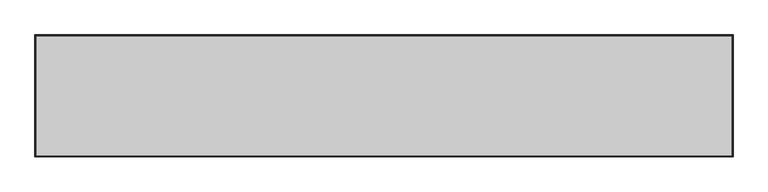
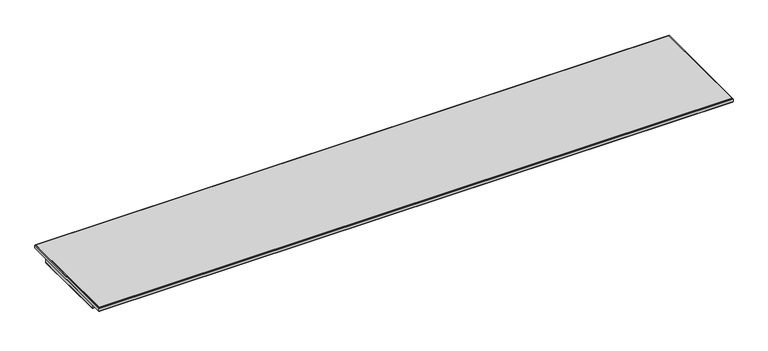
"""IFC4 building model written with IfcOpenShell, lengths in millimetres: furniture geometry."""

from ifc_helpers import new_model, si_unit, frame, origin, place, context, project, spatial, polyline, outline, extrude, faceted_brep, source, transform, mapped, element, save


def furniture_72fe0703(model_context):
    return source(origin(), model_context, "Body", "SolidModel", [
        faceted_brep([(1828.2142073, 19.7166075, 1043.3885283), (1826.7934, 18.2958003, 1042.8000114), (2.0066, 18.2958003, 1042.8000114), (0.5857927, 19.7166075, 1043.3885283), (1828.8, 20.3024003, 1044.8027589), (0.0, 20.3024003, 1044.8027589), (1828.8, 20.3024003, 1054.8000057), (0.0, 20.3024003, 1054.8000057), (1826.7934, 18.2958003, 1054.8000057), (2.0066, 18.2958003, 1054.8000057), (2.0066, -212.5041983, 1042.8000114), (0.5857927, -213.9250056, 1043.3885283), (0.0, -214.5107983, 1044.8027589), (0.0, -214.5107983, 1054.8000057), (2.0066, -212.5041983, 1054.8000057), (1826.7934, -212.5041983, 1042.8000114), (1828.2142073, -213.9250056, 1043.3885283), (1828.8, -214.5107983, 1044.8027589), (1828.8, -214.5107983, 1054.8000057), (1826.7934, -212.5041983, 1054.8000057)], [[[0, 1, 2, 3]], [[4, 0, 3, 5]], [[6, 4, 5, 7]], [[1, 8, 9, 2]], [[3, 2, 10, 11]], [[5, 3, 11, 12]], [[7, 5, 12, 13]], [[2, 9, 14, 10]], [[11, 10, 15, 16]], [[12, 11, 16, 17]], [[13, 12, 17, 18]], [[10, 14, 19, 15]], [[16, 15, 1, 0]], [[17, 16, 0, 4]], [[18, 17, 4, 6]], [[7, 13, 18, 6], [8, 19, 14, 9]], [[15, 19, 8, 1]]]),
        extrude(outline(polyline([(1826.7934, 18.2958003), (1826.7934, -212.5041983), (2.0066, -212.5041983), (2.0066, 18.2958003), (1826.7934, 18.2958003)])), frame((0.0, 0.0, 1042.8000114), z_axis=(0.0, 0.0, 1.0), x_axis=(1.0, 0.0, 0.0)), (0.0, 0.0, 1.0), 11.9999943),
        faceted_brep([(1853.4542364, 73.7600281, 1055.3857985), (1852.0400059, 72.3457976, 1054.8000057), (1.7526, 72.3457976, 1054.8000057), (0.3383695, 73.7600281, 1055.3857985), (1854.0400291, 74.3458208, 1056.800029), (-0.2474233, 74.3458208, 1056.800029), (1854.0400291, 74.3458208, 1064.7999767), (-0.2474233, 74.3458208, 1064.7999767), (1853.4542364, 73.7600281, 1066.2142073), (0.3383695, 73.7600281, 1066.2142073), (1852.0400059, 72.3457976, 1066.8030114), (1.7526, 72.3457976, 1066.8030114), (1.7526, -247.5042058, 1054.8000057), (0.3383695, -248.9184364, 1055.3857985), (-0.2474233, -249.5042291, 1056.800029), (-0.2474233, -249.5042291, 1064.7999767), (0.3383695, -248.9184364, 1066.2142073), (1.7526, -247.5042058, 1066.8030114), (1852.0400059, -247.5042058, 1054.8000057), (1853.4542364, -248.9184364, 1055.3857985), (1854.0400291, -249.5042291, 1056.800029), (1854.0400291, -249.5042291, 1064.7999767), (1853.4542364, -248.9184364, 1066.2142073), (1852.0400059, -247.5042058, 1066.8030114)], [[[0, 1, 2, 3]], [[4, 0, 3, 5]], [[6, 4, 5, 7]], [[8, 6, 7, 9]], [[10, 8, 9, 11]], [[1, 10, 11, 2]], [[3, 2, 12, 13]], [[5, 3, 13, 14]], [[7, 5, 14, 15]], [[9, 7, 15, 16]], [[11, 9, 16, 17]], [[2, 11, 17, 12]], [[13, 12, 18, 19]], [[14, 13, 19, 20]], [[15, 14, 20, 21]], [[16, 15, 21, 22]], [[17, 16, 22, 23]], [[12, 17, 23, 18]], [[19, 18, 1, 0]], [[20, 19, 0, 4]], [[21, 20, 4, 6]], [[22, 21, 6, 8]], [[23, 22, 8, 10]], [[18, 23, 10, 1]]]),
        extrude(outline(polyline([(1852.0400059, 72.3457976), (1852.0400059, -247.5042058), (1.7526, -247.5042058), (1.7526, 72.3457976), (1852.0400059, 72.3457976)])), frame((0.0, 0.0, 1054.8000057), z_axis=(0.0, 0.0, 1.0), x_axis=(1.0, 0.0, 0.0)), (0.0, 0.0, 1.0), 12.0030057),
    ])


if __name__ == "__main__":
    model = new_model("IFC4")
    model_context = context("Model", 3, world=origin())
    ifc_project = project(units=[si_unit("LENGTHUNIT", "METRE", prefix="MILLI")], contexts=[model_context])
    site = spatial("IfcSite", under=ifc_project)
    building = spatial("IfcBuilding", under=site)
    placement = place(None, origin())
    furniture_shape = furniture_72fe0703(model_context)
    element("IfcFurniture", 1, at=placement, inside=building, context=model_context, shape_type="MappedRepresentation", body=[
        mapped(furniture_shape, transform((0.0, 0.0, 0.0), x_axis=(1.0, 0.0, 0.0), y_axis=(0.0, 1.0, 0.0), z_axis=(0.0, 0.0, 1.0))),
    ])
    save(model, "model.ifc")
